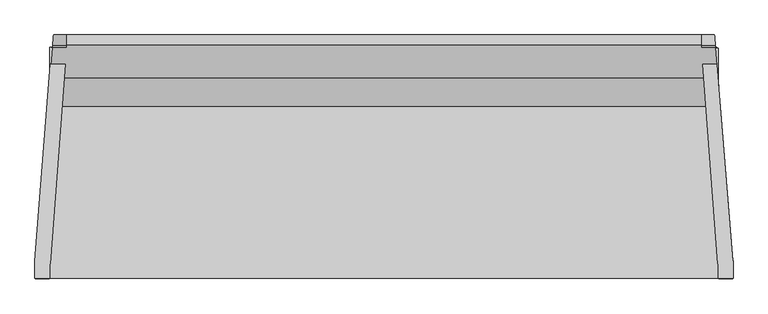
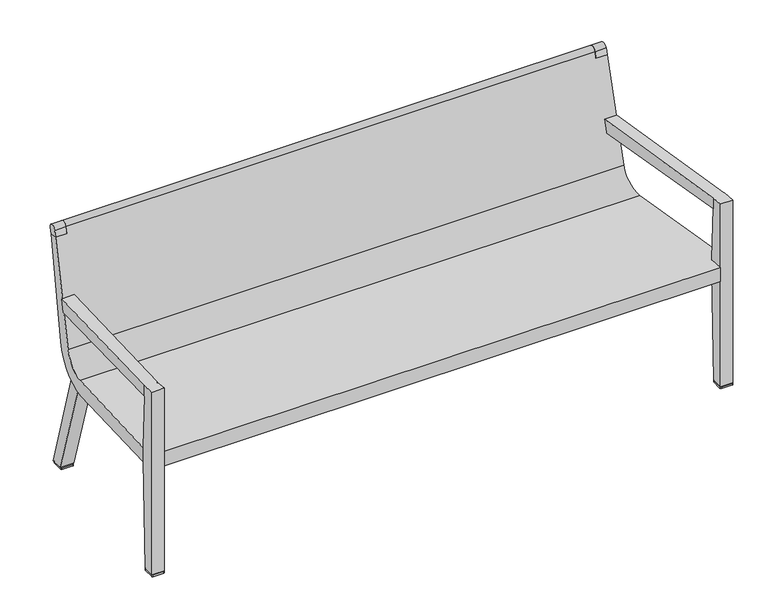
"""IFC4 building model written with IfcOpenShell, lengths in millimetres: furniture geometry."""

from ifc_helpers import new_model, si_unit, point, frame, frame_2d, origin, origin_with_axes, place, context, project, spatial, polyline, circle_curve, ellipse_curve, trimmed, segment, composite_curve, outline, extrude, faceted_brep, source, transform, mapped, element, save
from ifc_brep_helpers import plane_surface, cylinder_surface, revolved_surface, advanced_brep


def furniture_47a11369(model_context):
    return source(origin(), model_context, "Body", "SolidModel", [
        advanced_brep(
        [(-904.1446195, 299.2050771, 796.6800519), (-901.8452665, 327.49749, 790.5203922), (-902.176192, 323.425614, 768.9825288), (-904.5551742, 294.1534021, 776.2044891), (-867.7584009, 327.49749, 790.5203922), (-867.7584009, 299.2050771, 796.6800519), (-867.7584009, 294.1534021, 776.2044891), (-867.7584009, 323.425614, 768.9825288)],
        [
            (0, 1, ellipse_curve(frame((-903.0018324, 313.2665124, 793.210853), z_axis=(-0.9967137814463719, 0.08100393740352341, 0.0), x_axis=(-0.08100393740352367, -0.9967137814463719, 0.0)), 14.530821, 14.4830695)),
            (1, 2),
            (2, 3),
            (3, 0),
            (4, 5, circle_curve(frame((-867.7584009, 313.2665124, 793.210853), z_axis=(1.0, 0.0, 0.0), x_axis=(0.0, 1.0, 0.0)), 14.4830695)),
            (5, 6),
            (6, 7),
            (7, 4),
            (4, 1),
            (0, 5),
            (3, 6),
            (2, 7),
        ],
        [
            plane_surface(frame((-951.8541399, -287.837208, 938.3631816), z_axis=(-0.9967137814463719, 0.08100393740352341, 0.0), x_axis=(0.0, 0.0, -1.0))),
            plane_surface(frame((-867.7584009, 260.8168471, 437.8184466), z_axis=(1.0000000000000002, 0.0, 0.0), x_axis=(0.0, 0.18576592005724907, 0.9825940275338966))),
            cylinder_surface(frame((-867.7584009, 313.2665124, 793.210853), z_axis=(-1.0, 0.0, 0.0), x_axis=(0.0, 1.0, 0.0)), 14.4830695),
            plane_surface(frame((-911.9359035, 294.1534021, 776.2044891), z_axis=(0.0, -0.9708877825791815, 0.23953478586309737), x_axis=(1.0, 0.0, 0.0))),
            plane_surface(frame((-911.9359035, 323.425614, 768.9825288), z_axis=(0.0, -0.2395347858631037, -0.97088778257918), x_axis=(1.0, 0.0, 0.0))),
            plane_surface(frame((-911.9359035, 327.49749, 790.5203922), z_axis=(0.0, 0.9825940275338966, -0.18576592005724907), x_axis=(1.0, 0.0, 0.0))),
        ],
        [
            (0, [[1, 2, 3, 4]]),
            (1, [[5, 6, 7, 8]]),
            (2, [[-5, 9, -1, 10]]),
            (3, [[-6, -10, -4, 11]]),
            (4, [[-7, -11, -3, 12]]),
            (5, [[-8, -12, -2, -9]]),
        ],
    ),
        advanced_brep(
        [(861.4084009, 327.49749, 790.5203922), (861.4084009, 323.425614, 768.9825288), (861.4084009, 294.1534021, 776.2044891), (861.4084009, 299.2050771, 796.6800519), (897.7946195, 299.2050771, 796.6800519), (895.4952665, 327.49749, 790.5203922), (898.2051742, 294.1534021, 776.2044891), (895.826192, 323.425614, 768.9825288)],
        [
            (0, 1),
            (1, 2),
            (2, 3),
            (3, 0, circle_curve(frame((861.4084009, 313.2665124, 793.210853), z_axis=(-1.0, 0.0, 0.0), x_axis=(0.0, 1.0, 0.0)), 14.4830695)),
            (3, 4),
            (4, 5, ellipse_curve(frame((896.6518324, 313.2665124, 793.210853), z_axis=(-0.9967137814463719, -0.08100393740352341, 0.0), x_axis=(0.08100393740352367, -0.9967137814463719, 0.0)), 14.530821, 14.4830695)),
            (5, 0),
            (2, 6),
            (6, 4),
            (1, 7),
            (7, 6),
            (5, 7),
        ],
        [
            plane_surface(frame((861.4084009, 327.7495819, 793.210853), z_axis=(-1.0, 0.0, 0.0), x_axis=(0.0, 0.0, -1.0))),
            cylinder_surface(frame((861.4084009, 313.2665124, 793.210853), z_axis=(1.0, 0.0, 0.0), x_axis=(0.0, 1.0, 0.0)), 14.4830695),
            plane_surface(frame((905.5859035, 299.2050771, 796.6800519), z_axis=(0.0, -0.9708877825791815, 0.2395347858630974), x_axis=(-1.0, 0.0, 0.0))),
            plane_surface(frame((905.5859035, 294.1534021, 776.2044891), z_axis=(0.0, -0.2395347858631037, -0.97088778257918), x_axis=(-1.0, 0.0, 0.0))),
            plane_surface(frame((905.5859035, 323.425614, 768.9825288), z_axis=(0.0, 0.9825940275338961, -0.18576592005725134), x_axis=(-1.0, 0.0, 0.0))),
            plane_surface(frame((893.7469272, 349.0099486, 938.3631816), z_axis=(0.9967137814463719, 0.08100393740352341, 0.0), x_axis=(0.0, 0.0, -1.0))),
        ],
        [
            (0, [[1, 2, 3, 4]]),
            (1, [[-4, 5, 6, 7]]),
            (2, [[-3, 8, 9, -5]]),
            (3, [[-2, 10, 11, -8]]),
            (4, [[-1, -7, 12, -10]]),
            (5, [[-6, -9, -11, -12]]),
        ],
    ),
        faceted_brep([(-911.9359035, -295.3842593, 598.9293253), (-911.9359035, -295.3842593, 635.0608173), (-911.9359035, -334.2299408, 638.0401216), (-911.9359035, -334.2299408, 6.3500002), (-911.9359035, -296.2419402, 6.3500002), (-911.9359035, -286.317893, 372.9395667), (-911.9359035, -286.317893, 420.5571907), (-911.9359035, -293.3199548, 598.7479856), (-911.2349613, -294.3789018, 634.9837105), (-911.2349613, -294.3789018, 598.8410092), (-870.500153, 238.0299069, 552.0713363), (-869.7206059, 248.2186806, 593.3687032), (-952.5, -287.3688794, 598.2252109), (-952.5, -287.3688794, 634.4460706), (-910.5508396, 248.2186806, 593.3687032), (-911.3488614, 238.0299069, 552.0713363), (-952.5, -293.3199548, 598.7479856), (-952.5, -286.317893, 420.5571907), (-952.5, -286.317893, 372.9395667), (-952.5, -296.2419402, 6.3500002), (-952.5, -334.2299408, 6.3500002), (-952.5, -334.2299408, 638.0401216)], [[[0, 1, 2, 3, 4, 5, 6, 7]], [[8, 9, 10, 11]], [[12, 13, 14, 15]], [[13, 12, 16, 17, 18, 19, 20, 21]], [[14, 11, 10, 15]], [[11, 14, 13, 21, 2, 1, 8]], [[3, 2, 21, 20]], [[15, 10, 9, 0, 7, 16, 12]], [[20, 19, 4, 3]], [[6, 17, 16, 7]], [[18, 17, 6, 5]], [[19, 18, 5, 4]], [[1, 0, 9, 8]]]),
        extrude(outline(composite_curve([segment(trimmed(circle_curve(frame_2d((141.4175094, 452.7801148)), 107.2805987), [point((149.3413362, 345.7925462))], [point((190.0431079, 357.1523048))], True, "CARTESIAN"), True, "CONTINUOUS"), segment(polyline([(190.0431079, 357.1523048), (293.7537872, 6.3500002), (255.1919207, 6.3500002), (149.3413362, 345.7925462)]), True, "CONTINUOUS")], self_intersect=False)), frame((-29.36875, 0.0, 0.0), z_axis=(1.0, 0.0, 0.0), x_axis=(0.0, 1.0, 0.0)), (0.0, 0.0, 1.0), 44.1775026),
        extrude(outline(composite_curve([segment(trimmed(circle_curve(frame_2d((942.975, -296.4488461)), 3.175), [point((942.975, -293.2738461))], [point((946.15, -296.4488461))], False, "CARTESIAN"), True, "CONTINUOUS"), segment(polyline([(946.15, -296.4488461), (946.15, -332.2678383)]), True, "CONTINUOUS"), segment(trimmed(circle_curve(frame_2d((942.975, -332.2678383)), 3.175), [point((946.15, -332.2678383))], [point((942.975, -335.4428383))], False, "CARTESIAN"), True, "CONTINUOUS"), segment(polyline([(942.975, -335.4428383), (908.4013057, -335.4428383)]), True, "CONTINUOUS"), segment(trimmed(circle_curve(frame_2d((908.4013057, -332.2390938)), 3.2037445), [point((908.4013057, -335.4428383))], [point((905.1975613, -332.2390938))], False, "CARTESIAN"), True, "CONTINUOUS"), segment(polyline([(905.1975613, -332.2390938), (905.1975613, -296.459796)]), True, "CONTINUOUS"), segment(trimmed(circle_curve(frame_2d((908.3835112, -296.459796)), 3.1859499), [point((905.1975613, -296.459796))], [point((908.3835112, -293.2738461))], False, "CARTESIAN"), True, "CONTINUOUS"), segment(polyline([(908.3835112, -293.2738461), (942.975, -293.2738461)]), True, "CONTINUOUS")], self_intersect=False)), origin_with_axes(), (0.0, 0.0, 1.0), 6.3500002),
        advanced_brep(
        [(911.401497, 131.7791135, 383.637387), (-917.751497, 131.7791135, 383.637387), (-951.7306637, -286.317893, 415.4539627), (-911.9359035, -286.317893, 415.4539627), (-911.9359035, -334.2299408, 419.1), (905.5859035, -334.2299408, 419.1), (905.5859035, -286.317893, 415.4539627), (945.3806637, -286.317893, 415.4539627), (905.5859035, -334.2299408, 369.9032018), (-911.9359035, -334.2299408, 369.9032018), (-918.1910535, 126.370586, 334.778393), (911.8410535, 126.370586, 334.778393), (945.3806637, -286.317893, 366.2494901), (905.5859035, -286.317893, 366.2494901), (-911.9359035, -286.317893, 366.2494901), (-951.7306637, -286.317893, 366.2494901), (-907.2644698, 260.8168471, 437.8184466), (900.9144698, 260.8168471, 437.8184466), (-902.176192, 323.425614, 768.9825288), (-867.7584009, 323.425614, 768.9825288), (-867.7584009, 327.49749, 790.5203922), (861.4084009, 327.49749, 790.5203922), (861.4084009, 323.425614, 768.9825288), (895.826192, 323.425614, 768.9825288), (-911.2690252, 211.5427544, 441.3651533), (904.9190252, 211.5427544, 441.3651533), (898.2051742, 294.1534021, 776.2044891), (861.4084009, 294.1534021, 776.2044891), (861.4084009, 299.2050771, 796.6800519), (-867.7584009, 299.2050771, 796.6800519), (-867.7584009, 294.1534021, 776.2044891), (-904.5551742, 294.1534021, 776.2044891)],
        [
            (0, 1),
            (1, 2),
            (2, 3),
            (3, 4),
            (4, 5),
            (5, 6),
            (6, 7),
            (7, 0),
            (8, 5),
            (4, 9),
            (9, 8),
            (10, 11),
            (11, 12),
            (12, 13),
            (13, 8),
            (9, 14),
            (14, 15),
            (15, 10),
            (10, 16, ellipse_curve(frame((-917.406234, 136.0274056, 461.4107184), z_axis=(0.9967137814463719, -0.08100393740352341, 0.0), x_axis=(0.08100393740352367, 0.9967137814463719, 0.0)), 127.4187258, 127.0)),
            (16, 17),
            (17, 11, ellipse_curve(frame((911.056234, 136.0274056, 461.4107184), z_axis=(-0.9967137814463719, -0.08100393740352341, 0.0), x_axis=(0.08100393740352367, -0.9967137814463719, 0.0)), 127.4187258, 127.0)),
            (16, 18),
            (18, 19),
            (19, 20),
            (20, 21),
            (21, 22),
            (22, 23),
            (23, 17),
            (24, 25),
            (25, 26),
            (26, 27),
            (27, 28),
            (28, 29),
            (29, 30),
            (30, 31),
            (31, 24),
            (24, 1, ellipse_curve(frame((-917.2815886, 137.5611053, 459.617704), z_axis=(-0.9967137814463719, 0.08100393740352341, 0.0), x_axis=(-0.08100393740352367, -0.9967137814463719, 0.0)), 76.4512355, 76.2)),
            (0, 25, ellipse_curve(frame((910.9315886, 137.5611053, 459.617704), z_axis=(0.9967137814463719, 0.08100393740352341, 0.0), x_axis=(-0.08100393740352367, 0.9967137814463719, 0.0)), 76.4512355, 76.2)),
            (28, 21, circle_curve(frame((861.4084009, 313.2665124, 793.210853), z_axis=(-1.0, 0.0, 0.0), x_axis=(0.0, 1.0, 0.0)), 14.4830695)),
            (20, 29, circle_curve(frame((-867.7584009, 313.2665124, 793.210853), z_axis=(1.0, 0.0, 0.0), x_axis=(0.0, 1.0, 0.0)), 14.4830695)),
            (15, 2),
            (31, 18),
            (23, 26),
            (7, 12),
            (13, 6),
            (3, 14),
            (27, 22),
            (19, 30),
        ],
        [
            plane_surface(frame((946.15, 131.7791135, 383.637387), z_axis=(0.0, 0.07587915870272294, 0.9971170208529022), x_axis=(-1.0, 0.0, 0.0))),
            plane_surface(frame((946.15, -334.2299408, 419.1), z_axis=(0.0, -1.0, 0.0), x_axis=(-1.0, 0.0, 0.0))),
            plane_surface(frame((946.15, -334.2299408, 369.9032018), z_axis=(0.0, -0.07603794995339933, -0.9971049243519382), x_axis=(-1.0, 0.0, 0.0))),
            cylinder_surface(frame((-952.5, 136.0274056, 461.4107184), z_axis=(1.0, 0.0, 0.0), x_axis=(0.0, 1.0, 0.0)), 127.0),
            plane_surface(frame((946.15, 260.8168471, 437.8184466), z_axis=(0.0, 0.9825940275338964, -0.18576592005725007), x_axis=(-1.0, 0.0, 0.0))),
            plane_surface(frame((946.15, 299.2050771, 796.6800519), z_axis=(0.0, -0.9708877825791812, 0.23953478586309918), x_axis=(-1.0, 0.0, 0.0))),
            revolved_surface(polyline([(-923.474439694864, 213.7611053, 459.617704), (917.1244396948639, 213.7611053, 459.617704)]), (-952.5, 137.5611053, 459.617704), (-1.0, 0.0, 0.0)),
            cylinder_surface(frame((-952.5, 313.2665124, 793.210853), z_axis=(1.0, 0.0, 0.0), x_axis=(0.0, 1.0, 0.0)), 14.4830695),
            plane_surface(frame((-951.8541399, -287.837208, 938.3631816), z_axis=(-0.9967137814463719, 0.08100393740352341, 0.0), x_axis=(0.0, 0.0, -1.0))),
            plane_surface(frame((893.7469272, 349.0099486, 938.3631816), z_axis=(0.9967137814463719, 0.08100393740352341, 0.0), x_axis=(0.0, 0.0, -1.0))),
            plane_surface(frame((905.5859035, -286.317893, 423.6543739), z_axis=(1.0, 0.0, 0.0), x_axis=(0.0, 0.0, -1.0))),
            plane_surface(frame((946.15, -286.317893, 423.6543739), z_axis=(0.0, -1.0, 0.0), x_axis=(0.0, 0.0, -1.0))),
            plane_surface(frame((-911.9359035, -334.2299408, 423.6543739), z_axis=(-1.0, 0.0, 0.0), x_axis=(0.0, 0.0, -1.0))),
            plane_surface(frame((-911.9359035, -286.317893, 423.6543739), z_axis=(0.0, -1.0, 0.0), x_axis=(0.0, 0.0, -1.0))),
            plane_surface(frame((861.4084009, 294.1534021, 776.2044891), z_axis=(1.0, 0.0, 0.0), x_axis=(0.0, -0.9708877825791811, 0.23953478586309945))),
            plane_surface(frame((1034.3742133, 294.1534021, 776.2044891), z_axis=(0.0, 0.23953478586309945, 0.9708877825791811), x_axis=(-1.0, 0.0, 0.0))),
            plane_surface(frame((-867.7584009, 299.2050771, 796.6800519), z_axis=(-1.0, 0.0, 0.0), x_axis=(0.0, -0.23953478586311233, -0.9708877825791778))),
            plane_surface(frame((-1044.1198156, 323.425614, 768.9825288), z_axis=(0.0, 0.23953478586309945, 0.9708877825791811), x_axis=(1.0, 0.0, 0.0))),
        ],
        [
            (0, [[1, 2, 3, 4, 5, 6, 7, 8]]),
            (1, [[9, -5, 10, 11]]),
            (2, [[12, 13, 14, 15, -11, 16, 17, 18]]),
            (3, [[19, 20, 21, -12]]),
            (4, [[-20, 22, 23, 24, 25, 26, 27, 28]]),
            (5, [[29, 30, 31, 32, 33, 34, 35, 36]]),
            (6, [[37, -1, 38, -29]]),
            (7, [[39, -25, 40, -33]]),
            (8, [[-19, -18, 41, -2, -37, -36, 42, -22]]),
            (9, [[-21, -28, 43, -30, -38, -8, 44, -13]]),
            (10, [[45, -6, -9, -15]]),
            (11, [[-45, -14, -44, -7]]),
            (12, [[46, -16, -10, -4]]),
            (13, [[-46, -3, -41, -17]]),
            (14, [[47, -26, -39, -32]]),
            (15, [[-47, -31, -43, -27]]),
            (16, [[48, -34, -40, -24]]),
            (17, [[-48, -23, -42, -35]]),
        ],
    ),
        extrude(outline(composite_curve([segment(polyline([(9.6493776, 251.5575592), (-24.9421112, 251.5575592)]), True, "CONTINUOUS"), segment(trimmed(circle_curve(frame_2d((-24.9421112, 254.7435091)), 3.1859499), [point((-24.9421112, 251.5575592))], [point((-28.1280611, 254.7435091))], False, "CARTESIAN"), True, "CONTINUOUS"), segment(polyline([(-28.1280611, 254.7435091), (-28.1280611, 290.522807)]), True, "CONTINUOUS"), segment(trimmed(circle_curve(frame_2d((-24.9243166, 290.522807)), 3.2037445), [point((-28.1280611, 290.522807))], [point((-24.9243166, 293.7265514))], False, "CARTESIAN"), True, "CONTINUOUS"), segment(polyline([(-24.9243166, 293.7265514), (9.6493776, 293.7265514)]), True, "CONTINUOUS"), segment(trimmed(circle_curve(frame_2d((9.6493776, 290.5515514)), 3.175), [point((9.6493776, 293.7265514))], [point((12.8243776, 290.5515514))], False, "CARTESIAN"), True, "CONTINUOUS"), segment(polyline([(12.8243776, 290.5515514), (12.8243776, 254.7325592)]), True, "CONTINUOUS"), segment(trimmed(circle_curve(frame_2d((9.6493776, 254.7325592)), 3.175), [point((12.8243776, 254.7325592))], [point((9.6493776, 251.5575592))], False, "CARTESIAN"), True, "CONTINUOUS")], self_intersect=False)), origin_with_axes(), (0.0, 0.0, 1.0), 6.3500002),
        faceted_brep([(905.5859035, -297.0317484, 635.187173), (905.5859035, -297.0317484, 599.0740497), (905.5859035, -293.3199548, 598.7479856), (905.5859035, -286.317893, 420.5571907), (905.5859035, -286.317893, 372.9395667), (905.5859035, -296.2419402, 6.3500002), (905.5859035, -334.2299408, 6.3500002), (905.5859035, -334.2299408, 638.0401216), (904.8849613, -294.3789018, 598.8410092), (904.8849613, -294.3789018, 634.9837105), (863.4269269, 247.4825592, 593.4251607), (864.2063223, 237.2957674, 552.1358271), (946.15, -296.2419402, 6.3500002), (946.15, -334.2299408, 6.3500002), (946.15, -286.317893, 420.5571907), (946.15, -293.3199548, 598.7479856), (946.15, -286.317893, 372.9395667), (946.15, -287.837208, 598.2663514), (946.15, -287.837208, 634.4819895), (946.15, -334.2299408, 638.0401216), (901.9981609, 247.4825592, 593.4251607), (902.8260517, 237.2957674, 552.1358271), (945.5041399, -287.837208, 634.4819895), (945.5041399, -287.837208, 598.2663514)], [[[0, 1, 2, 3, 4, 5, 6, 7]], [[8, 9, 10, 11]], [[12, 13, 6, 5]], [[14, 3, 2, 15]], [[14, 16, 4, 3]], [[16, 12, 5, 4]], [[17, 18, 19, 13, 12, 16, 14, 15]], [[11, 10, 20, 21]], [[0, 7, 19, 18, 22, 20, 10, 9]], [[13, 19, 7, 6]], [[8, 11, 21, 23, 17, 15, 2, 1]], [[23, 22, 18, 17]], [[22, 23, 21, 20]], [[9, 8, 1, 0]]]),
        advanced_brep(
        [(905.5859035, 147.201089, 345.7925462), (905.5859035, 253.0516735, 6.3500002), (905.5859035, 291.7247127, 6.3500002), (905.5859035, 188.0140333, 357.1523048), (861.4084009, 147.201089, 345.7925462), (861.4084009, 188.0140333, 357.1523048), (861.4084009, 291.7247127, 6.3500002), (861.4084009, 253.0516735, 6.3500002)],
        [
            (0, 1),
            (1, 2),
            (2, 3),
            (3, 0, circle_curve(frame((905.5859035, 139.4098677, 452.7801148), z_axis=(-1.0, 0.0, 0.0), x_axis=(0.0, 1.0, 0.0)), 107.2708859)),
            (4, 5, circle_curve(frame((861.4084009, 139.4098677, 452.7801148), z_axis=(1.0, 0.0, 0.0), x_axis=(0.0, 1.0, 0.0)), 107.2708859)),
            (5, 6),
            (6, 7),
            (7, 4),
            (0, 4),
            (7, 1),
            (6, 2),
            (5, 3),
        ],
        [
            plane_surface(frame((905.5859035, 253.0516735, 6.3500002), z_axis=(1.0000000000000002, 0.0, 0.0), x_axis=(0.0, 0.29769789865664986, -0.9546601285983485))),
            plane_surface(frame((861.4084009, 253.0516735, 6.3500002), z_axis=(-1.0000000000000002, 0.0, 0.0), x_axis=(0.0, -0.29769789865664986, 0.9546601285983485))),
            plane_surface(frame((905.5859035, 147.201089, 345.7925462), z_axis=(0.0, -0.9546601285983485, -0.29769789865664986), x_axis=(-1.0, 0.0, 0.0))),
            plane_surface(frame((905.5859035, 253.0516735, 6.3500002), z_axis=(0.0, 0.0, -1.0), x_axis=(-1.0, 0.0, 0.0))),
            plane_surface(frame((905.5859035, 291.7247127, 6.3500002), z_axis=(0.0, 0.9589697495355606, 0.2835084116489392), x_axis=(-1.0, 0.0, 0.0))),
            revolved_surface(polyline([(861.4084009, 246.6807536, 452.7801148), (905.5859035, 246.6807536, 452.7801148)]), (861.4084009, 139.4098677, 452.7801148), (-1.0, 0.0, 0.0)),
        ],
        [
            (0, [[1, 2, 3, 4]]),
            (1, [[5, 6, 7, 8]]),
            (2, [[-1, 9, -8, 10]]),
            (3, [[-2, -10, -7, 11]]),
            (4, [[-3, -11, -6, 12]]),
            (5, [[-4, -12, -5, -9]]),
        ],
    ),
        advanced_brep(
        [(-911.9359035, 149.3413362, 345.7925462), (-911.9359035, 190.0431079, 357.1523048), (-911.9359035, 293.7537872, 6.3500002), (-911.9359035, 255.1919207, 6.3500002), (-867.7584009, 149.3413362, 345.7925462), (-867.7584009, 255.1919207, 6.3500002), (-867.7584009, 293.7537872, 6.3500002), (-867.7584009, 190.0431079, 357.1523048)],
        [
            (0, 1, circle_curve(frame((-911.9359035, 141.4175094, 452.7801148), z_axis=(1.0, 0.0, 0.0), x_axis=(0.0, 1.0, 0.0)), 107.2805987)),
            (1, 2),
            (2, 3),
            (3, 0),
            (4, 5),
            (5, 6),
            (6, 7),
            (7, 4, circle_curve(frame((-867.7584009, 141.4175094, 452.7801148), z_axis=(-1.0, 0.0, 0.0), x_axis=(0.0, 1.0, 0.0)), 107.2805987)),
            (3, 5),
            (4, 0),
            (2, 6),
            (1, 7),
        ],
        [
            plane_surface(frame((-911.9359035, 248.6981081, 452.7801148), z_axis=(-1.0, 0.0, 0.0), x_axis=(0.0, 0.0, 1.0))),
            plane_surface(frame((-867.7584009, 248.6981081, 452.7801148), z_axis=(1.0, 0.0, 0.0), x_axis=(0.0, 0.0, -1.0))),
            plane_surface(frame((-911.9359035, 255.1919207, 6.3500002), z_axis=(0.0, -0.9546601285983485, -0.2976978986566497), x_axis=(1.0, 0.0, 0.0))),
            plane_surface(frame((-911.9359035, 293.7537872, 6.3500002), z_axis=(0.0, 0.0, -1.0), x_axis=(1.0, 0.0, 0.0))),
            plane_surface(frame((-911.9359035, 190.0431079, 357.1523048), z_axis=(0.0, 0.9589697495355606, 0.2835084116489392), x_axis=(1.0, 0.0, 0.0))),
            revolved_surface(polyline([(-867.7584009, 248.6981081, 452.7801148), (-911.9359035, 248.6981081, 452.7801148)]), (-867.7584009, 141.4175094, 452.7801148), (1.0, 0.0, 0.0)),
        ],
        [
            (0, [[1, 2, 3, 4]]),
            (1, [[5, 6, 7, 8]]),
            (2, [[-4, 9, -5, 10]]),
            (3, [[-3, 11, -6, -9]]),
            (4, [[-2, 12, -7, -11]]),
            (5, [[-1, -10, -8, -12]]),
        ],
    ),
        extrude(outline(composite_curve([segment(trimmed(circle_curve(frame_2d((-907.4744606, 254.7322247)), 3.175), [point((-907.4744606, 251.5572247))], [point((-910.6494606, 254.7322247))], False, "CARTESIAN"), True, "CONTINUOUS"), segment(polyline([(-910.6494606, 254.7322247), (-910.6494606, 290.5512169)]), True, "CONTINUOUS"), segment(trimmed(circle_curve(frame_2d((-907.4744606, 290.5512169)), 3.175), [point((-910.6494606, 290.5512169))], [point((-907.4744606, 293.7262169))], False, "CARTESIAN"), True, "CONTINUOUS"), segment(polyline([(-907.4744606, 293.7262169), (-872.9007663, 293.7262169)]), True, "CONTINUOUS"), segment(trimmed(circle_curve(frame_2d((-872.9007663, 290.5224724)), 3.2037445), [point((-872.9007663, 293.7262169))], [point((-869.6970219, 290.5224724))], False, "CARTESIAN"), True, "CONTINUOUS"), segment(polyline([(-869.6970219, 290.5224724), (-869.6970219, 254.7431746)]), True, "CONTINUOUS"), segment(trimmed(circle_curve(frame_2d((-872.8829718, 254.7431746)), 3.1859499), [point((-869.6970219, 254.7431746))], [point((-872.8829718, 251.5572247))], False, "CARTESIAN"), True, "CONTINUOUS"), segment(polyline([(-872.8829718, 251.5572247), (-907.4744606, 251.5572247)]), True, "CONTINUOUS")], self_intersect=False)), origin_with_axes(), (0.0, 0.0, 1.0), 6.3500002),
        extrude(outline(composite_curve([segment(polyline([(900.5836887, 251.5575592), (865.9921999, 251.5575592)]), True, "CONTINUOUS"), segment(trimmed(circle_curve(frame_2d((865.9921999, 254.7435091)), 3.1859499), [point((865.9921999, 251.5575592))], [point((862.80625, 254.7435091))], False, "CARTESIAN"), True, "CONTINUOUS"), segment(polyline([(862.80625, 254.7435091), (862.80625, 290.522807)]), True, "CONTINUOUS"), segment(trimmed(circle_curve(frame_2d((866.0099945, 290.522807)), 3.2037445), [point((862.80625, 290.522807))], [point((866.0099945, 293.7265514))], False, "CARTESIAN"), True, "CONTINUOUS"), segment(polyline([(866.0099945, 293.7265514), (900.5836887, 293.7265514)]), True, "CONTINUOUS"), segment(trimmed(circle_curve(frame_2d((900.5836887, 290.5515514)), 3.175), [point((900.5836887, 293.7265514))], [point((903.7586887, 290.5515514))], False, "CARTESIAN"), True, "CONTINUOUS"), segment(polyline([(903.7586887, 290.5515514), (903.7586887, 254.7325592)]), True, "CONTINUOUS"), segment(trimmed(circle_curve(frame_2d((900.5836887, 254.7325592)), 3.175), [point((903.7586887, 254.7325592))], [point((900.5836887, 251.5575592))], False, "CARTESIAN"), True, "CONTINUOUS")], self_intersect=False)), origin_with_axes(), (0.0, 0.0, 1.0), 6.3500002),
        extrude(outline(composite_curve([segment(polyline([(-949.325, -293.2738461), (-914.7335112, -293.2738461)]), True, "CONTINUOUS"), segment(trimmed(circle_curve(frame_2d((-914.7335112, -296.459796)), 3.1859499), [point((-914.7335112, -293.2738461))], [point((-911.5475613, -296.459796))], False, "CARTESIAN"), True, "CONTINUOUS"), segment(polyline([(-911.5475613, -296.459796), (-911.5475613, -332.2390938)]), True, "CONTINUOUS"), segment(trimmed(circle_curve(frame_2d((-914.7513057, -332.2390938)), 3.2037445), [point((-911.5475613, -332.2390938))], [point((-914.7513057, -335.4428383))], False, "CARTESIAN"), True, "CONTINUOUS"), segment(polyline([(-914.7513057, -335.4428383), (-949.325, -335.4428383)]), True, "CONTINUOUS"), segment(trimmed(circle_curve(frame_2d((-949.325, -332.2678383)), 3.175), [point((-949.325, -335.4428383))], [point((-952.5, -332.2678383))], False, "CARTESIAN"), True, "CONTINUOUS"), segment(polyline([(-952.5, -332.2678383), (-952.5, -296.4488461)]), True, "CONTINUOUS"), segment(trimmed(circle_curve(frame_2d((-949.325, -296.4488461)), 3.175), [point((-952.5, -296.4488461))], [point((-949.325, -293.2738461))], False, "CARTESIAN"), True, "CONTINUOUS")], self_intersect=False)), origin_with_axes(), (0.0, 0.0, 1.0), 6.3500002),
    ])


if __name__ == "__main__":
    model = new_model("IFC4")
    model_context = context("Model", 3, world=origin())
    ifc_project = project(units=[si_unit("LENGTHUNIT", "METRE", prefix="MILLI")], contexts=[model_context])
    site = spatial("IfcSite", under=ifc_project)
    building = spatial("IfcBuilding", under=site)
    placement = place(None, origin())
    furniture_shape = furniture_47a11369(model_context)
    element("IfcFurniture", 1, at=placement, inside=building, context=model_context, shape_type="MappedRepresentation", body=[
        mapped(furniture_shape, transform((0.0, 0.0, 0.0), x_axis=(1.0, 0.0, 0.0), y_axis=(0.0, 1.0, 0.0), z_axis=(0.0, 0.0, 1.0))),
    ])
    save(model, "model.ifc")
